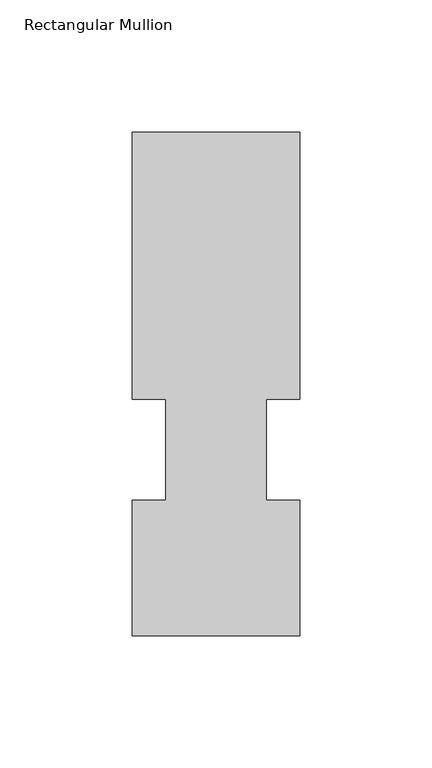
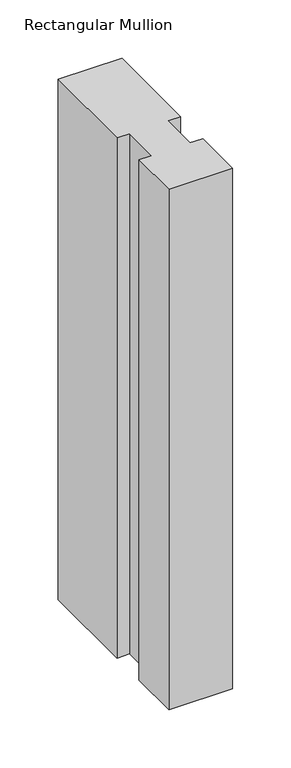
"""IFC4 building model written with IfcOpenShell, lengths in millimetres: member geometry, Rectangular Mullion."""

from ifc_helpers import new_model, si_unit, frame, origin, place, context, project, spatial, polyline, outline, extrude, source, transform, mapped, element, save


def rectangular_mullion_8789a308(model_context):
    return source(origin(), model_context, "Body", "SweptSolid", [
        extrude(outline(polyline([(-63.5, 190.7881318), (0.0, 190.7881318), (0.0, 89.5945312), (-12.6873006, 89.5945313), (-12.6873006, 51.4945318), (0.0, 51.4945318), (0.0, 0.211932), (-63.5000002, 0.211932), (-63.5000002, 51.494532), (-50.8000004, 51.494532), (-50.8000004, 89.5945312), (-63.5, 89.5945313), (-63.5, 190.7881318)])), frame((0.0, 0.0, -546.1), z_axis=(0.0, 0.0, 1.0), x_axis=(1.0, 0.0, 0.0)), (0.0, 0.0, 1.0), 546.1),
    ])


if __name__ == "__main__":
    model = new_model("IFC4")
    model_context = context("Model", 3, world=origin())
    ifc_project = project(units=[si_unit("LENGTHUNIT", "METRE", prefix="MILLI")], contexts=[model_context])
    site = spatial("IfcSite", under=ifc_project)
    building = spatial("IfcBuilding", under=site)
    placement = place(None, origin())
    rectangular_mullion_shape = rectangular_mullion_8789a308(model_context)
    element("IfcMember", 1, ObjectType="Rectangular Mullion", at=placement, inside=building, context=model_context, shape_type="MappedRepresentation", body=[
        mapped(rectangular_mullion_shape, transform((0.0, 0.0, 0.0), x_axis=(1.0, 0.0, 0.0), y_axis=(0.0, 1.0, 0.0), z_axis=(0.0, 0.0, 1.0))),
    ])
    save(model, "model.ifc")
